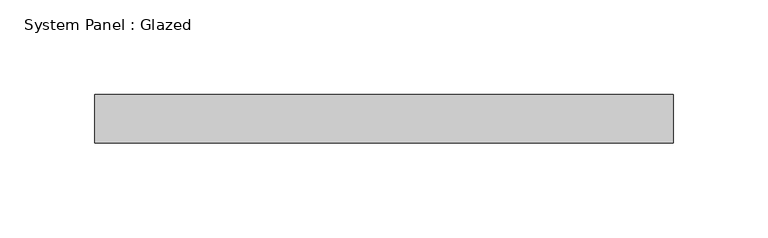
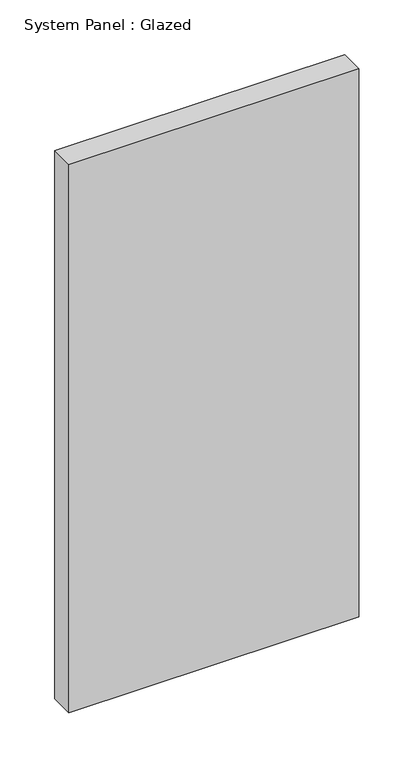
"""IFC4 building model written with IfcOpenShell, lengths in millimetres: plate geometry, System Panel : Glazed."""

from ifc_helpers import new_model, si_unit, origin, origin_with_axes, place, context, project, spatial, polyline, outline, extrude, source, transform, mapped, element, save


def system_panel_glazed_3042ca20(model_context):
    return source(origin(), model_context, "Body", "SweptSolid", [
        extrude(outline(polyline([(152.4, -44.45), (-152.4, -44.45), (-152.4, -19.05), (152.4, -19.05), (152.4, -44.45)])), origin_with_axes(), (0.0, 0.0, 1.0), 609.6),
    ])


if __name__ == "__main__":
    model = new_model("IFC4")
    model_context = context("Model", 3, world=origin())
    ifc_project = project(units=[si_unit("LENGTHUNIT", "METRE", prefix="MILLI")], contexts=[model_context])
    site = spatial("IfcSite", under=ifc_project)
    building = spatial("IfcBuilding", under=site)
    placement = place(None, origin())
    system_panel_glazed_shape = system_panel_glazed_3042ca20(model_context)
    element("IfcPlate", 1, ObjectType="System Panel : Glazed", at=placement, inside=building, context=model_context, shape_type="MappedRepresentation", body=[
        mapped(system_panel_glazed_shape, transform((0.0, 0.0, 0.0), x_axis=(1.0, 0.0, 0.0), y_axis=(0.0, 1.0, 0.0), z_axis=(0.0, 0.0, 1.0))),
    ])
    save(model, "model.ifc")
